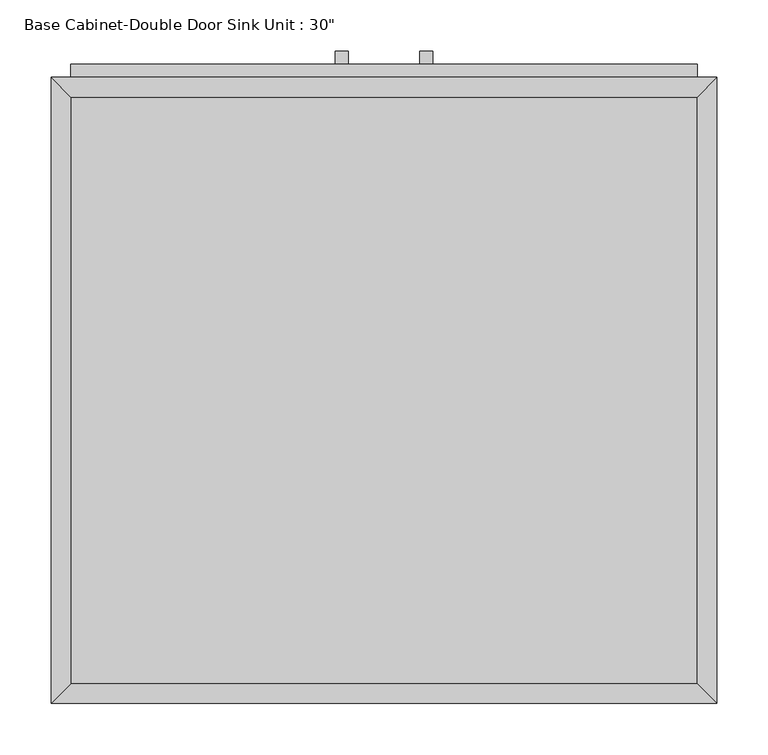
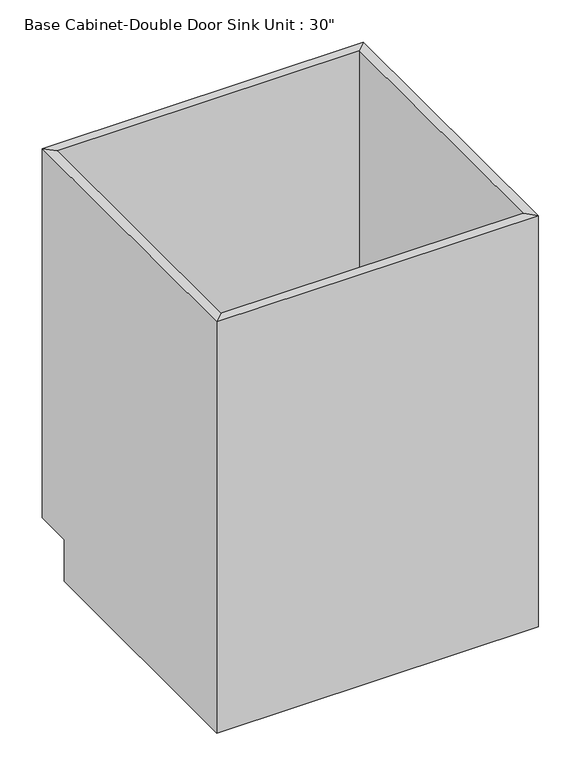
"""IFC4 building model written with IfcOpenShell, lengths in millimetres: furniture geometry."""

from ifc_helpers import new_model, si_unit, frame, origin, place, context, project, spatial, polyline, outline, extrude, faceted_brep, source, transform, mapped, element, save


def furniture_2ad75edc(model_context):
    return source(origin(), model_context, "Body", "SolidModel", [
        faceted_brep([(323.5377049, 590.55, 876.3), (-286.0622951, 590.55, 876.3), (-286.0622951, 590.55, 88.9), (323.5377049, 590.55, 88.9), (342.5877049, 609.6, 876.3), (-305.1122951, 609.6, 876.3), (342.5877049, 609.6, 88.9), (-305.1122951, 609.6, 88.9), (-286.0622951, 19.05, 876.3), (-286.0622951, 19.05, 88.9), (-286.0622951, 533.4, 88.9), (-305.1122951, 0.0, 876.3), (-305.1122951, 533.4, 88.9), (-305.1122951, 533.4, 0.0), (-305.1122951, 0.0, 0.0), (323.5377049, 19.05, 876.3), (323.5377049, 19.05, 88.9), (342.5877049, 0.0, 876.3), (342.5877049, 0.0, 0.0), (323.5377049, 533.4, 88.9), (342.5877049, 533.4, 0.0), (342.5877049, 533.4, 88.9)], [[[0, 1, 2, 3]], [[0, 4, 5, 1]], [[4, 6, 7, 5]], [[2, 7, 6, 3]], [[1, 8, 9, 10, 2]], [[5, 11, 8, 1]], [[7, 12, 13, 14, 11, 5]], [[2, 10, 12, 7]], [[8, 15, 16, 9]], [[11, 17, 15, 8]], [[14, 18, 17, 11]], [[3, 19, 16, 15, 0]], [[0, 15, 17, 4]], [[4, 17, 18, 20, 21, 6]], [[6, 21, 19, 3]], [[10, 9, 16, 19]], [[18, 14, 13, 20]], [[13, 12, 10, 19, 21, 20]]]),
        extrude(outline(polyline([(-16.1872951, 635.0), (-16.1872951, 622.3), (-28.8872951, 622.3), (-28.8872951, 635.0), (-16.1872951, 635.0)])), frame((0.0, 0.0, 573.769895), z_axis=(0.0, 0.0, 1.0), x_axis=(1.0, 0.0, 0.0)), (0.0, 0.0, 1.0), 124.730105),
        extrude(outline(polyline([(66.3627049, 635.0), (66.3627049, 622.3), (53.6627049, 622.3), (53.6627049, 635.0), (66.3627049, 635.0)])), frame((0.0, 0.0, 573.769895), z_axis=(0.0, 0.0, 1.0), x_axis=(1.0, 0.0, 0.0)), (0.0, 0.0, 1.0), 124.730105),
        extrude(outline(polyline([(323.5377049, 19.05), (-286.0622951, 19.05), (-286.0622951, 590.55), (323.5377049, 590.55), (323.5377049, 19.05)])), frame((0.0, 0.0, 88.9), z_axis=(0.0, 0.0, 1.0), x_axis=(1.0, 0.0, 0.0)), (0.0, 0.0, 1.0), 19.05),
        extrude(outline(polyline([(9.2127049, 622.3), (9.2127049, 609.6), (-286.0622951, 609.6), (-286.0622951, 622.3), (9.2127049, 622.3)])), frame((0.0, 0.0, 107.95), z_axis=(0.0, 0.0, 1.0), x_axis=(1.0, 0.0, 0.0)), (0.0, 0.0, 1.0), 628.65),
        extrude(outline(polyline([(323.5377049, 622.3), (323.5377049, 609.6), (28.2627049, 609.6), (28.2627049, 622.3), (323.5377049, 622.3)])), frame((0.0, 0.0, 107.95), z_axis=(0.0, 0.0, 1.0), x_axis=(1.0, 0.0, 0.0)), (0.0, 0.0, 1.0), 628.65),
        extrude(outline(polyline([(323.5377049, 622.3), (323.5377049, 609.6), (-286.0622951, 609.6), (-286.0622951, 622.3), (323.5377049, 622.3)])), frame((0.0, 0.0, 755.65), z_axis=(0.0, 0.0, 1.0), x_axis=(1.0, 0.0, 0.0)), (0.0, 0.0, 1.0), 101.6),
    ])


if __name__ == "__main__":
    model = new_model("IFC4")
    model_context = context("Model", 3, world=origin())
    ifc_project = project(units=[si_unit("LENGTHUNIT", "METRE", prefix="MILLI")], contexts=[model_context])
    site = spatial("IfcSite", under=ifc_project)
    building = spatial("IfcBuilding", under=site)
    placement = place(None, origin())
    furniture_shape = furniture_2ad75edc(model_context)
    element("IfcFurniture", 1, ObjectType="Base Cabinet-Double Door Sink Unit : 30\"", at=placement, inside=building, context=model_context, shape_type="MappedRepresentation", body=[
        mapped(furniture_shape, transform((0.0, 0.0, 0.0), x_axis=(1.0, 0.0, 0.0), y_axis=(0.0, 1.0, 0.0), z_axis=(0.0, 0.0, 1.0))),
    ])
    save(model, "model.ifc")
